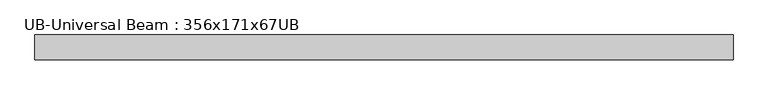
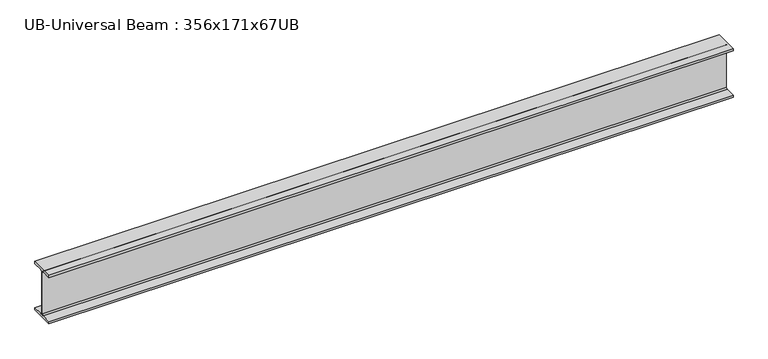
"""IFC4 building model written with IfcOpenShell, lengths in millimetres: beam geometry, UB-Universal Beam : 356x171x67UB."""

from ifc_helpers import new_model, si_unit, point, frame, frame_2d, origin, place, context, project, spatial, polyline, circle_curve, trimmed, segment, composite_curve, outline, extrude, source, transform, mapped, element, save


def ub_universal_beam_356x171x67ub_b788119f(model_context):
    return source(origin(), model_context, "Body", "SweptSolid", [
        extrude(outline(composite_curve([segment(polyline([(86.6, -166.0), (86.6, -181.7), (-86.6, -181.7), (-86.6, -166.0), (-14.75, -166.0)]), True, "CONTINUOUS"), segment(trimmed(circle_curve(frame_2d((-14.75, -155.8)), 10.2), [point((-14.75, -166.0))], [point((-4.55, -155.8))], True, "CARTESIAN"), True, "CONTINUOUS"), segment(polyline([(-4.55, -155.8), (-4.55, 155.8)]), True, "CONTINUOUS"), segment(trimmed(circle_curve(frame_2d((-14.75, 155.8)), 10.2), [point((-4.55, 155.8))], [point((-14.75, 166.0))], True, "CARTESIAN"), True, "CONTINUOUS"), segment(polyline([(-14.75, 166.0), (-86.6, 166.0), (-86.6, 181.7), (86.6, 181.7), (86.6, 166.0), (14.75, 166.0)]), True, "CONTINUOUS"), segment(trimmed(circle_curve(frame_2d((14.75, 155.8)), 10.2), [point((14.75, 166.0))], [point((4.55, 155.8))], True, "CARTESIAN"), True, "CONTINUOUS"), segment(polyline([(4.55, 155.8), (4.55, -155.8)]), True, "CONTINUOUS"), segment(trimmed(circle_curve(frame_2d((14.75, -155.8)), 10.2), [point((4.55, -155.8))], [point((14.75, -166.0))], True, "CARTESIAN"), True, "CONTINUOUS"), segment(polyline([(14.75, -166.0), (86.6, -166.0)]), True, "CONTINUOUS")], self_intersect=False)), frame((-2423.3797141, 0.0, 0.0), z_axis=(1.0, 0.0, 0.0), x_axis=(0.0, 1.0, 0.0)), (0.0, 0.0, 1.0), 4867.8898229),
    ])


if __name__ == "__main__":
    model = new_model("IFC4")
    model_context = context("Model", 3, world=origin())
    ifc_project = project(units=[si_unit("LENGTHUNIT", "METRE", prefix="MILLI")], contexts=[model_context])
    site = spatial("IfcSite", under=ifc_project)
    building = spatial("IfcBuilding", under=site)
    placement = place(None, origin())
    ub_universal_beam_356x171x67ub_shape = ub_universal_beam_356x171x67ub_b788119f(model_context)
    element("IfcBeam", 1, ObjectType="UB-Universal Beam : 356x171x67UB", at=placement, inside=building, context=model_context, shape_type="MappedRepresentation", body=[
        mapped(ub_universal_beam_356x171x67ub_shape, transform((0.0, 0.0, 0.0), x_axis=(1.0, 0.0, 0.0), y_axis=(0.0, 1.0, 0.0), z_axis=(0.0, 0.0, 1.0))),
    ])
    save(model, "model.ifc")
